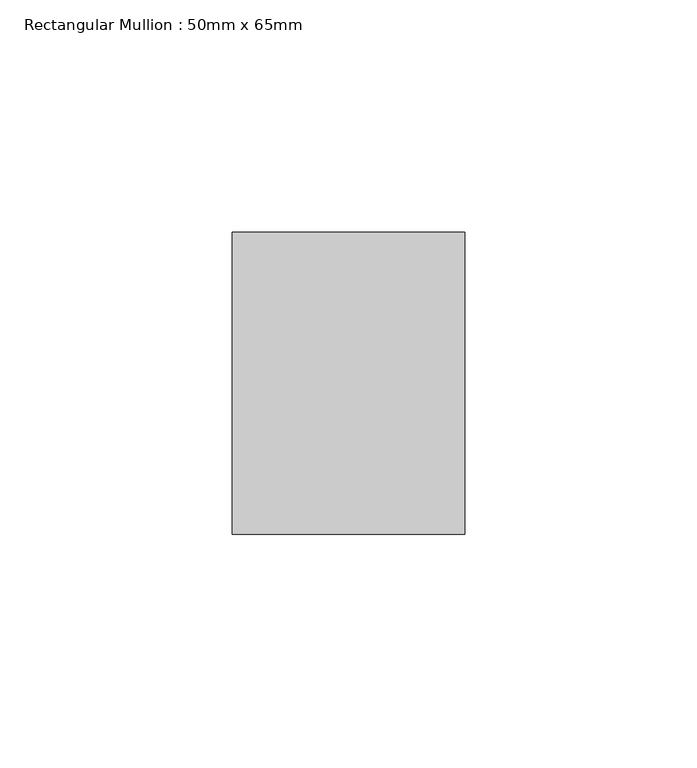
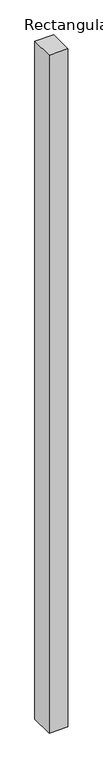
"""IFC4 building model written with IfcOpenShell, lengths in millimetres: member geometry, Rectangular Mullion : 50mm x 65mm."""

from ifc_helpers import new_model, si_unit, frame, origin, place, context, project, spatial, polyline, outline, extrude, source, transform, mapped, element, save


def rectangular_mullion_50mm_x_65mm_635ffeea(model_context):
    return source(origin(), model_context, "Body", "SweptSolid", [
        extrude(outline(polyline([(25.0, 32.5), (25.0, -32.5), (-25.0, -32.5), (-25.0, 32.5), (25.0, 32.5)])), frame((0.0, 0.0, -1897.7009241), z_axis=(0.0, 0.0, 1.0), x_axis=(1.0, 0.0, 0.0)), (0.0, 0.0, 1.0), 1897.7009241),
    ])


if __name__ == "__main__":
    model = new_model("IFC4")
    model_context = context("Model", 3, world=origin())
    ifc_project = project(units=[si_unit("LENGTHUNIT", "METRE", prefix="MILLI")], contexts=[model_context])
    site = spatial("IfcSite", under=ifc_project)
    building = spatial("IfcBuilding", under=site)
    placement = place(None, origin())
    rectangular_mullion_50mm_x_65mm_shape = rectangular_mullion_50mm_x_65mm_635ffeea(model_context)
    element("IfcMember", 1, ObjectType="Rectangular Mullion : 50mm x 65mm", at=placement, inside=building, context=model_context, shape_type="MappedRepresentation", body=[
        mapped(rectangular_mullion_50mm_x_65mm_shape, transform((0.0, 0.0, 0.0), x_axis=(1.0, 0.0, 0.0), y_axis=(0.0, 1.0, 0.0), z_axis=(0.0, 0.0, 1.0))),
    ])
    save(model, "model.ifc")
